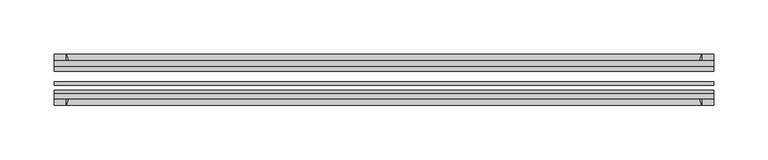
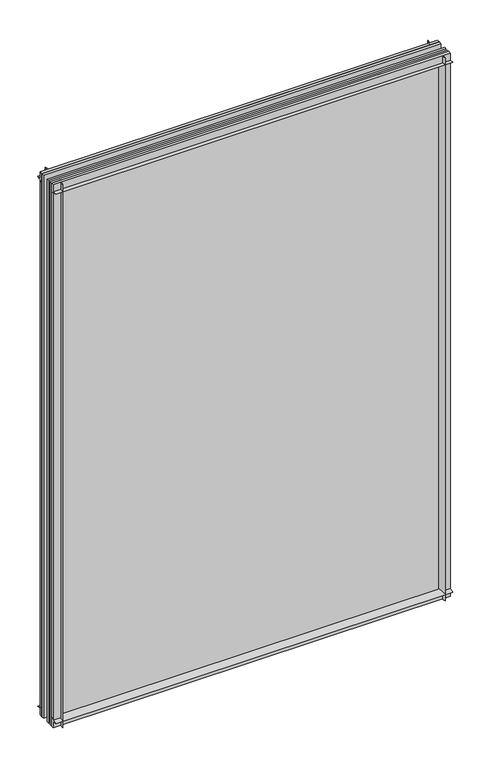
"""IFC4 building model written with IfcOpenShell, lengths in millimetres: plate geometry."""

from ifc_helpers import new_model, si_unit, point, frame, frame_2d, origin, place, context, project, spatial, polyline, circle_curve, trimmed, segment, composite_curve, outline, extrude, source, transform, mapped, element, save


def plate_b4539c1b(model_context):
    return source(origin(), model_context, "Body", "SweptSolid", [
        extrude(outline(composite_curve([segment(polyline([(-74.653775, 0.0), (-80.586498, 0.0)]), True, "CONTINUOUS"), segment(trimmed(circle_curve(frame_2d((-86.2543953, 32.273404)), 32.7673262), [point((-80.586498, 0.0))], [point((-69.878575, 3.8915405))], True, "CARTESIAN"), True, "CONTINUOUS"), segment(polyline([(-69.878575, 3.8915405), (-69.878575, -10.31875), (-74.653775, -10.31875), (-74.653775, 0.0)]), True, "CONTINUOUS")], self_intersect=False)), frame((-303.2125, 0.0, 0.0), z_axis=(1.0, 0.0, 0.0), x_axis=(0.0, 1.0, 0.0)), (0.0, 0.0, 1.0), 606.425),
        extrude(outline(composite_curve([segment(polyline([(-44.478575, -10.31875), (-44.478575, 3.8915405)]), True, "CONTINUOUS"), segment(trimmed(circle_curve(frame_2d((-28.1027547, 32.273404)), 32.7673262), [point((-44.478575, 3.8915405))], [point((-33.770652, 0.0))], True, "CARTESIAN"), True, "CONTINUOUS"), segment(polyline([(-33.770652, 0.0), (-39.703375, 0.0), (-39.703375, -10.31875), (-44.478575, -10.31875)]), True, "CONTINUOUS")], self_intersect=False)), frame((-303.2125, 0.0, 0.0), z_axis=(1.0, 0.0, 0.0), x_axis=(0.0, 1.0, 0.0)), (0.0, 0.0, 1.0), 606.425),
        extrude(outline(composite_curve([segment(trimmed(circle_curve(frame_2d((-86.2543953, 821.795246)), 32.7673262), [point((-69.878575, 850.1771095))], [point((-80.622775, 854.075))], True, "CARTESIAN"), True, "CONTINUOUS"), segment(polyline([(-80.622775, 854.075), (-74.653775, 854.075), (-74.653775, 865.1875), (-69.878575, 865.1875), (-69.878575, 850.1771095)]), True, "CONTINUOUS")], self_intersect=False)), frame((-303.2125, 0.0, 0.0), z_axis=(1.0, 0.0, 0.0), x_axis=(0.0, 1.0, 0.0)), (0.0, 0.0, 1.0), 606.425),
        extrude(outline(composite_curve([segment(polyline([(-44.478575, 850.1771095), (-44.478575, 865.1875), (-39.703375, 865.1875), (-39.703375, 854.075), (-33.734375, 854.075)]), True, "CONTINUOUS"), segment(trimmed(circle_curve(frame_2d((-28.1027547, 821.795246)), 32.7673262), [point((-33.734375, 854.075))], [point((-44.478575, 850.1771095))], True, "CARTESIAN"), True, "CONTINUOUS")], self_intersect=False)), frame((-303.2125, 0.0, 0.0), z_axis=(1.0, 0.0, 0.0), x_axis=(0.0, 1.0, 0.0)), (0.0, 0.0, 1.0), 606.425),
        extrude(outline(composite_curve([segment(polyline([(288.2021095, -69.878575), (303.2125, -69.878575), (303.2125, -74.653775), (292.1, -74.653775), (292.1, -80.622775)]), True, "CONTINUOUS"), segment(trimmed(circle_curve(frame_2d((259.820246, -86.2543953)), 32.7673262), [point((292.1, -80.622775))], [point((288.2021095, -69.878575))], True, "CARTESIAN"), True, "CONTINUOUS")], self_intersect=False)), frame((0.0, 0.0, -10.31875), z_axis=(0.0, 0.0, 1.0), x_axis=(1.0, 0.0, 0.0)), (0.0, 0.0, 1.0), 875.50625),
        extrude(outline(composite_curve([segment(trimmed(circle_curve(frame_2d((259.820246, -28.1027547)), 32.7673262), [point((288.2021095, -44.478575))], [point((292.1, -33.734375))], True, "CARTESIAN"), True, "CONTINUOUS"), segment(polyline([(292.1, -33.734375), (292.1, -39.703375), (303.2125, -39.703375), (303.2125, -44.478575), (288.2021095, -44.478575)]), True, "CONTINUOUS")], self_intersect=False)), frame((0.0, 0.0, -10.31875), z_axis=(0.0, 0.0, 1.0), x_axis=(1.0, 0.0, 0.0)), (0.0, 0.0, 1.0), 875.50625),
        extrude(outline(composite_curve([segment(trimmed(circle_curve(frame_2d((-259.820246, -86.2543953)), 32.7673262), [point((-288.2021095, -69.878575))], [point((-292.1, -80.622775))], True, "CARTESIAN"), True, "CONTINUOUS"), segment(polyline([(-292.1, -80.622775), (-292.1, -74.653775), (-303.2125, -74.653775), (-303.2125, -69.878575), (-288.2021095, -69.878575)]), True, "CONTINUOUS")], self_intersect=False)), frame((0.0, 0.0, -10.31875), z_axis=(0.0, 0.0, 1.0), x_axis=(1.0, 0.0, 0.0)), (0.0, 0.0, 1.0), 875.50625),
        extrude(outline(composite_curve([segment(polyline([(-288.2021095, -44.478575), (-303.2125, -44.478575), (-303.2125, -39.703375), (-292.1, -39.703375), (-292.1, -33.734375)]), True, "CONTINUOUS"), segment(trimmed(circle_curve(frame_2d((-259.820246, -28.1027547)), 32.7673262), [point((-292.1, -33.734375))], [point((-288.2021095, -44.478575))], True, "CARTESIAN"), True, "CONTINUOUS")], self_intersect=False)), frame((0.0, 0.0, -10.31875), z_axis=(0.0, 0.0, 1.0), x_axis=(1.0, 0.0, 0.0)), (0.0, 0.0, 1.0), 875.50625),
        extrude(outline(polyline([(-303.2125, -44.478575), (303.2125, -44.478575), (303.2125, -49.241075), (-303.2125, -49.241075), (-303.2125, -44.478575)])), frame((0.0, 0.0, -10.31875), z_axis=(0.0, 0.0, 1.0), x_axis=(1.0, 0.0, 0.0)), (0.0, 0.0, 1.0), 875.50625),
        extrude(outline(polyline([(303.2125, -58.956575), (303.2125, -62.131575), (-303.2125, -62.131575), (-303.2125, -58.956575), (303.2125, -58.956575)])), frame((0.0, 0.0, -10.31875), z_axis=(0.0, 0.0, 1.0), x_axis=(1.0, 0.0, 0.0)), (0.0, 0.0, 1.0), 875.50625),
        extrude(outline(polyline([(-303.2125, -66.703575), (303.2125, -66.703575), (303.2125, -69.878575), (-303.2125, -69.878575), (-303.2125, -66.703575)])), frame((0.0, 0.0, -10.31875), z_axis=(0.0, 0.0, 1.0), x_axis=(1.0, 0.0, 0.0)), (0.0, 0.0, 1.0), 875.50625),
    ])


if __name__ == "__main__":
    model = new_model("IFC4")
    model_context = context("Model", 3, world=origin())
    ifc_project = project(units=[si_unit("LENGTHUNIT", "METRE", prefix="MILLI")], contexts=[model_context])
    site = spatial("IfcSite", under=ifc_project)
    building = spatial("IfcBuilding", under=site)
    placement = place(None, origin())
    plate_shape = plate_b4539c1b(model_context)
    element("IfcPlate", 1, at=placement, inside=building, context=model_context, shape_type="MappedRepresentation", body=[
        mapped(plate_shape, transform((0.0, 0.0, 0.0), x_axis=(1.0, 0.0, 0.0), y_axis=(0.0, 1.0, 0.0), z_axis=(0.0, 0.0, 1.0))),
    ])
    save(model, "model.ifc")
